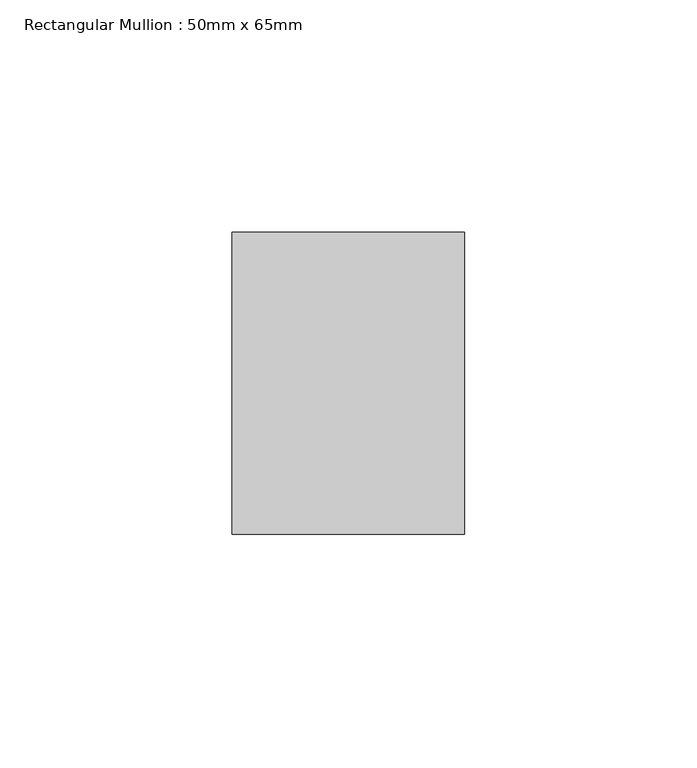
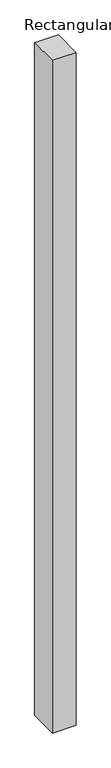
"""IFC4 building model written with IfcOpenShell, lengths in millimetres: member geometry, Rectangular Mullion : 50mm x 65mm."""

from ifc_helpers import new_model, si_unit, frame, origin, place, context, project, spatial, polyline, outline, extrude, source, transform, mapped, element, save


def rectangular_mullion_50mm_x_65mm_6cbc111a(model_context):
    return source(origin(), model_context, "Body", "SweptSolid", [
        extrude(outline(polyline([(-32.5, 0.098089), (32.5, -0.0980892), (32.5, -1499.8163776), (-32.5, -1500.1835226), (-32.5, 0.098089)])), frame((-25.0, 0.0, 0.0), z_axis=(1.0, 0.0, 0.0), x_axis=(0.0, 1.0, 0.0)), (0.0, 0.0, 1.0), 50.0),
    ])


if __name__ == "__main__":
    model = new_model("IFC4")
    model_context = context("Model", 3, world=origin())
    ifc_project = project(units=[si_unit("LENGTHUNIT", "METRE", prefix="MILLI")], contexts=[model_context])
    site = spatial("IfcSite", under=ifc_project)
    building = spatial("IfcBuilding", under=site)
    placement = place(None, origin())
    rectangular_mullion_50mm_x_65mm_shape = rectangular_mullion_50mm_x_65mm_6cbc111a(model_context)
    element("IfcMember", 1, ObjectType="Rectangular Mullion : 50mm x 65mm", at=placement, inside=building, context=model_context, shape_type="MappedRepresentation", body=[
        mapped(rectangular_mullion_50mm_x_65mm_shape, transform((0.0, 0.0, 0.0), x_axis=(1.0, 0.0, 0.0), y_axis=(0.0, 1.0, 0.0), z_axis=(0.0, 0.0, 1.0))),
    ])
    save(model, "model.ifc")
